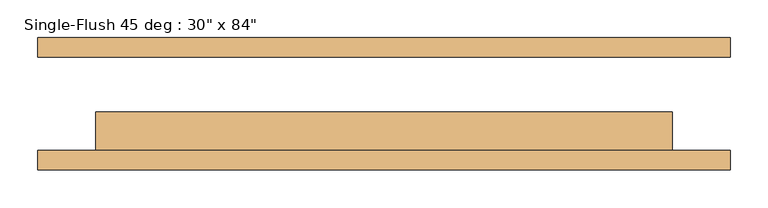
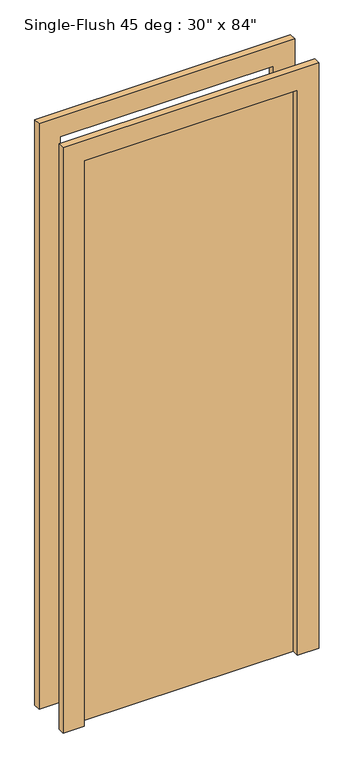
"""IFC4 building model written with IfcOpenShell, lengths in millimetres: door geometry."""

from ifc_helpers import new_model, si_unit, frame, origin, origin_with_axes, place, context, project, spatial, polyline, outline, extrude, source, transform, mapped, element, save


def door_702a1063(model_context):
    return source(origin(), model_context, "Body", "SweptSolid", [
        extrude(outline(polyline([(2209.8, -457.2), (0.0, -457.2), (0.0, -381.0), (2133.6, -381.0), (2133.6, 381.0), (0.0, 381.0), (0.0, 457.2), (2209.8, 457.2), (2209.8, -457.2)])), frame((0.0, -87.3125, 0.0), z_axis=(0.0, 1.0, 0.0), x_axis=(0.0, 0.0, 1.0)), (0.0, 0.0, 1.0), 25.4),
        extrude(outline(polyline([(2209.8, 457.2), (2209.8, -457.2), (0.0, -457.2), (0.0, -381.0), (2133.6, -381.0), (2133.6, 381.0), (0.0, 381.0), (0.0, 457.2), (2209.8, 457.2)])), frame((0.0, 61.9125, 0.0), z_axis=(0.0, 1.0, 0.0), x_axis=(0.0, 0.0, 1.0)), (0.0, 0.0, 1.0), 25.4),
        extrude(outline(polyline([(381.0, -11.1125), (381.0, -61.9125), (-381.0, -61.9125), (-381.0, -11.1125), (381.0, -11.1125)])), origin_with_axes(), (0.0, 0.0, 1.0), 2133.6),
    ])


if __name__ == "__main__":
    model = new_model("IFC4")
    model_context = context("Model", 3, world=origin())
    ifc_project = project(units=[si_unit("LENGTHUNIT", "METRE", prefix="MILLI")], contexts=[model_context])
    site = spatial("IfcSite", under=ifc_project)
    building = spatial("IfcBuilding", under=site)
    placement = place(None, origin())
    door_shape = door_702a1063(model_context)
    element("IfcDoor", 1, ObjectType="Single-Flush 45 deg : 30\" x 84\"", at=placement, inside=building, context=model_context, shape_type="MappedRepresentation", body=[
        mapped(door_shape, transform((0.0, 0.0, 0.0), x_axis=(1.0, 0.0, 0.0), y_axis=(0.0, 1.0, 0.0), z_axis=(0.0, 0.0, 1.0))),
    ])
    save(model, "model.ifc")
